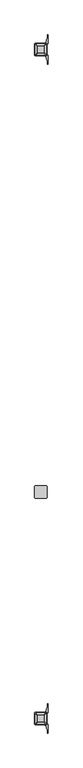
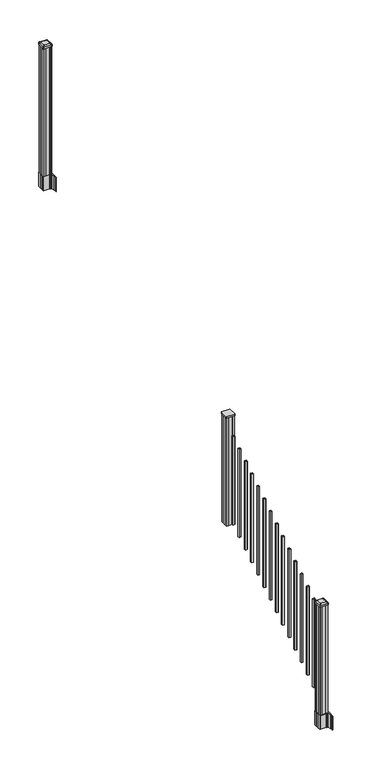
"""IFC4 building model written with IfcOpenShell, lengths in millimetres: railing geometry."""

from ifc_helpers import new_model, si_unit, point, frame, frame_2d, origin, place, context, project, spatial, polyline, circle_curve, trimmed, segment, composite_curve, outline, extrude, source, transform, mapped, element, save
from ifc_brep_helpers import plane_surface, extruded_surface, advanced_brep


def railing_2523c556(model_context):
    return source(origin(), model_context, "Body", "SolidModel", [
        extrude(outline(composite_curve([segment(polyline([(11638.3770784, -6077.7792181), (11554.2395784, -6077.7792181)]), True, "CONTINUOUS"), segment(trimmed(circle_curve(frame_2d((11554.2395784, -6074.6042181)), 3.175), [point((11554.2395784, -6077.7792181))], [point((11551.0645784, -6074.6042181))], False, "CARTESIAN"), True, "CONTINUOUS"), segment(polyline([(11551.0645784, -6074.6042181), (11551.0645784, -5990.4667181)]), True, "CONTINUOUS"), segment(trimmed(circle_curve(frame_2d((11554.2395784, -5990.4667181)), 3.175), [point((11551.0645784, -5990.4667181))], [point((11554.2395784, -5987.2917181))], False, "CARTESIAN"), True, "CONTINUOUS"), segment(polyline([(11554.2395784, -5987.2917181), (11638.3770784, -5987.2917181)]), True, "CONTINUOUS"), segment(trimmed(circle_curve(frame_2d((11638.3770784, -5990.4667181)), 3.175), [point((11638.3770784, -5987.2917181))], [point((11641.5520784, -5990.4667181))], False, "CARTESIAN"), True, "CONTINUOUS"), segment(polyline([(11641.5520784, -5990.4667181), (11641.5520784, -6074.6042181)]), True, "CONTINUOUS"), segment(trimmed(circle_curve(frame_2d((11638.3770784, -6074.6042181)), 3.175), [point((11641.5520784, -6074.6042181))], [point((11638.3770784, -6077.7792181))], False, "CARTESIAN"), True, "CONTINUOUS")], self_intersect=False)), frame((0.0, 0.0, 2397.566763), z_axis=(0.0, 0.0, 1.0), x_axis=(1.0, 0.0, 0.0)), (0.0, 0.0, 1.0), 17.272),
        extrude(outline(polyline([(11635.9958284, -6073.8104681), (11616.3743284, -6073.8104681), (11615.6123284, -6072.2229681), (11577.0043284, -6072.2229681), (11576.2423284, -6073.8104681), (11556.6208284, -6073.8104681), (11555.0333284, -6072.2229681), (11555.0333284, -6052.6014681), (11556.6208284, -6051.8394681), (11556.6208284, -6013.2314681), (11555.0333284, -6012.4694681), (11555.0333284, -5992.8479681), (11556.6208284, -5991.2604681), (11576.2423284, -5991.2604681), (11577.0043284, -5992.8479681), (11615.6123284, -5992.8479681), (11616.3743284, -5991.2604681), (11635.9958284, -5991.2604681), (11637.5833284, -5992.8479681), (11637.5833284, -6012.4694681), (11635.9958284, -6013.2314681), (11635.9958284, -6051.8394681), (11637.5833284, -6052.6014681), (11637.5833284, -6072.2229681), (11635.9958284, -6073.8104681)])), frame((0.0, 0.0, 1213.8025), z_axis=(0.0, 0.0, 1.0), x_axis=(1.0, 0.0, 0.0)), (0.0, 0.0, 1.0), 1183.764263),
        extrude(outline(polyline([(11586.7833284, -6137.5644681), (11586.7833284, -6118.5144681), (11605.8333284, -6118.5144681), (11605.8333284, -6137.5644681), (11586.7833284, -6137.5644681)]), holes=[polyline([(11587.1802034, -6137.1675931), (11605.4364534, -6137.1675931), (11605.4364534, -6118.9113431), (11587.1802034, -6118.9113431), (11587.1802034, -6137.1675931)])]), frame((0.0, 0.0, 1255.7083781), z_axis=(0.0, 0.0, 1.0), x_axis=(1.0, 0.0, 0.0)), (0.0, 0.0, 1.0), 965.2041219),
        extrude(outline(polyline([(11586.7833284, -6248.8164681), (11586.7833284, -6229.7664681), (11605.8333284, -6229.7664681), (11605.8333284, -6248.8164681), (11586.7833284, -6248.8164681)]), holes=[polyline([(11587.1802034, -6248.4195931), (11605.4364534, -6248.4195931), (11605.4364534, -6230.1633431), (11587.1802034, -6230.1633431), (11587.1802034, -6248.4195931)])]), frame((0.0, 0.0, 1186.1758781), z_axis=(0.0, 0.0, 1.0), x_axis=(1.0, 0.0, 0.0)), (0.0, 0.0, 1.0), 965.2041219),
        extrude(outline(polyline([(11586.7833284, -6360.0684681), (11586.7833284, -6341.0184681), (11605.8333284, -6341.0184681), (11605.8333284, -6360.0684681), (11586.7833284, -6360.0684681)]), holes=[polyline([(11587.1802034, -6359.6715931), (11605.4364534, -6359.6715931), (11605.4364534, -6341.4153431), (11587.1802034, -6341.4153431), (11587.1802034, -6359.6715931)])]), frame((0.0, 0.0, 1116.6433781), z_axis=(0.0, 0.0, 1.0), x_axis=(1.0, 0.0, 0.0)), (0.0, 0.0, 1.0), 965.2041219),
        extrude(outline(polyline([(11586.7833284, -6471.3204681), (11586.7833284, -6452.2704681), (11605.8333284, -6452.2704681), (11605.8333284, -6471.3204681), (11586.7833284, -6471.3204681)]), holes=[polyline([(11587.1802034, -6470.9235931), (11605.4364534, -6470.9235931), (11605.4364534, -6452.6673431), (11587.1802034, -6452.6673431), (11587.1802034, -6470.9235931)])]), frame((0.0, 0.0, 1047.1108781), z_axis=(0.0, 0.0, 1.0), x_axis=(1.0, 0.0, 0.0)), (0.0, 0.0, 1.0), 965.2041219),
        extrude(outline(polyline([(11586.7833284, -6582.5724681), (11586.7833284, -6563.5224681), (11605.8333284, -6563.5224681), (11605.8333284, -6582.5724681), (11586.7833284, -6582.5724681)]), holes=[polyline([(11587.1802034, -6582.1755931), (11605.4364534, -6582.1755931), (11605.4364534, -6563.9193431), (11587.1802034, -6563.9193431), (11587.1802034, -6582.1755931)])]), frame((0.0, 0.0, 977.5783781), z_axis=(0.0, 0.0, 1.0), x_axis=(1.0, 0.0, 0.0)), (0.0, 0.0, 1.0), 965.2041219),
        extrude(outline(polyline([(11586.7833284, -6693.8244681), (11586.7833284, -6674.7744681), (11605.8333284, -6674.7744681), (11605.8333284, -6693.8244681), (11586.7833284, -6693.8244681)]), holes=[polyline([(11587.1802034, -6693.4275931), (11605.4364534, -6693.4275931), (11605.4364534, -6675.1713431), (11587.1802034, -6675.1713431), (11587.1802034, -6693.4275931)])]), frame((0.0, 0.0, 908.0458781), z_axis=(0.0, 0.0, 1.0), x_axis=(1.0, 0.0, 0.0)), (0.0, 0.0, 1.0), 965.2041219),
        extrude(outline(polyline([(11586.7833284, -6805.0764681), (11586.7833284, -6786.0264681), (11605.8333284, -6786.0264681), (11605.8333284, -6805.0764681), (11586.7833284, -6805.0764681)]), holes=[polyline([(11587.1802034, -6804.6795931), (11605.4364534, -6804.6795931), (11605.4364534, -6786.4233431), (11587.1802034, -6786.4233431), (11587.1802034, -6804.6795931)])]), frame((0.0, 0.0, 838.5133781), z_axis=(0.0, 0.0, 1.0), x_axis=(1.0, 0.0, 0.0)), (0.0, 0.0, 1.0), 965.2041219),
        extrude(outline(polyline([(11586.7833284, -6916.3284681), (11586.7833284, -6897.2784681), (11605.8333284, -6897.2784681), (11605.8333284, -6916.3284681), (11586.7833284, -6916.3284681)]), holes=[polyline([(11587.1802034, -6915.9315931), (11605.4364534, -6915.9315931), (11605.4364534, -6897.6753431), (11587.1802034, -6897.6753431), (11587.1802034, -6915.9315931)])]), frame((0.0, 0.0, 768.9808781), z_axis=(0.0, 0.0, 1.0), x_axis=(1.0, 0.0, 0.0)), (0.0, 0.0, 1.0), 965.2041219),
        extrude(outline(polyline([(11586.7833284, -7027.5804681), (11586.7833284, -7008.5304681), (11605.8333284, -7008.5304681), (11605.8333284, -7027.5804681), (11586.7833284, -7027.5804681)]), holes=[polyline([(11587.1802034, -7027.1835931), (11605.4364534, -7027.1835931), (11605.4364534, -7008.9273431), (11587.1802034, -7008.9273431), (11587.1802034, -7027.1835931)])]), frame((0.0, 0.0, 699.4483781), z_axis=(0.0, 0.0, 1.0), x_axis=(1.0, 0.0, 0.0)), (0.0, 0.0, 1.0), 965.2041219),
        extrude(outline(polyline([(11586.7833284, -7138.8324681), (11586.7833284, -7119.7824681), (11605.8333284, -7119.7824681), (11605.8333284, -7138.8324681), (11586.7833284, -7138.8324681)]), holes=[polyline([(11587.1802034, -7138.4355931), (11605.4364534, -7138.4355931), (11605.4364534, -7120.1793431), (11587.1802034, -7120.1793431), (11587.1802034, -7138.4355931)])]), frame((0.0, 0.0, 629.9158781), z_axis=(0.0, 0.0, 1.0), x_axis=(1.0, 0.0, 0.0)), (0.0, 0.0, 1.0), 965.2041219),
        extrude(outline(polyline([(11586.7833284, -7250.0844681), (11586.7833284, -7231.0344681), (11605.8333284, -7231.0344681), (11605.8333284, -7250.0844681), (11586.7833284, -7250.0844681)]), holes=[polyline([(11587.1802034, -7249.6875931), (11605.4364534, -7249.6875931), (11605.4364534, -7231.4313431), (11587.1802034, -7231.4313431), (11587.1802034, -7249.6875931)])]), frame((0.0, 0.0, 560.3833781), z_axis=(0.0, 0.0, 1.0), x_axis=(1.0, 0.0, 0.0)), (0.0, 0.0, 1.0), 965.2041219),
        extrude(outline(polyline([(11586.7833284, -7361.3364681), (11586.7833284, -7342.2864681), (11605.8333284, -7342.2864681), (11605.8333284, -7361.3364681), (11586.7833284, -7361.3364681)]), holes=[polyline([(11587.1802034, -7360.9395931), (11605.4364534, -7360.9395931), (11605.4364534, -7342.6833431), (11587.1802034, -7342.6833431), (11587.1802034, -7360.9395931)])]), frame((0.0, 0.0, 490.8508781), z_axis=(0.0, 0.0, 1.0), x_axis=(1.0, 0.0, 0.0)), (0.0, 0.0, 1.0), 965.2041219),
        extrude(outline(polyline([(11586.7833284, -7472.5884681), (11586.7833284, -7453.5384681), (11605.8333284, -7453.5384681), (11605.8333284, -7472.5884681), (11586.7833284, -7472.5884681)]), holes=[polyline([(11587.1802034, -7472.1915931), (11605.4364534, -7472.1915931), (11605.4364534, -7453.9353431), (11587.1802034, -7453.9353431), (11587.1802034, -7472.1915931)])]), frame((0.0, 0.0, 421.3183781), z_axis=(0.0, 0.0, 1.0), x_axis=(1.0, 0.0, 0.0)), (0.0, 0.0, 1.0), 965.2041219),
        extrude(outline(polyline([(11586.7833284, -7583.8404681), (11586.7833284, -7564.7904681), (11605.8333284, -7564.7904681), (11605.8333284, -7583.8404681), (11586.7833284, -7583.8404681)]), holes=[polyline([(11587.1802034, -7583.4435931), (11605.4364534, -7583.4435931), (11605.4364534, -7565.1873431), (11587.1802034, -7565.1873431), (11587.1802034, -7583.4435931)])]), frame((0.0, 0.0, 351.7858781), z_axis=(0.0, 0.0, 1.0), x_axis=(1.0, 0.0, 0.0)), (0.0, 0.0, 1.0), 965.2041219),
        extrude(outline(polyline([(11635.9958284, -2792.8924681), (11616.3743284, -2792.8924681), (11615.6123284, -2791.3049681), (11577.0043284, -2791.3049681), (11576.2423284, -2792.8924681), (11556.6208284, -2792.8924681), (11555.0333284, -2791.3049681), (11555.0333284, -2771.6834681), (11556.6208284, -2770.9214681), (11556.6208284, -2732.3134681), (11555.0333284, -2731.5514681), (11555.0333284, -2711.9299681), (11556.6208284, -2710.3424681), (11576.2423284, -2710.3424681), (11577.0043284, -2711.9299681), (11615.6123284, -2711.9299681), (11616.3743284, -2710.3424681), (11635.9958284, -2710.3424681), (11637.5833284, -2711.9299681), (11637.5833284, -2731.5514681), (11635.9958284, -2732.3134681), (11635.9958284, -2770.9214681), (11637.5833284, -2771.6834681), (11637.5833284, -2791.3049681), (11635.9958284, -2792.8924681)])), frame((0.0, 0.0, 3048.0), z_axis=(0.0, 0.0, 1.0), x_axis=(1.0, 0.0, 0.0)), (0.0, 0.0, 1.0), 1400.140513),
        extrude(outline(composite_curve([segment(polyline([(11553.5728284, -2769.003563), (11553.5728284, -2734.2313732), (11551.9853284, -2733.4693732), (11551.9853284, -2710.6674452), (11555.3583054, -2707.2944681), (11616.8179763, -2707.2944681), (11616.8179763, -2706.3737181), (11622.1355201, -2706.3737181), (11622.1355201, -2704.9194634), (11627.2200498, -2704.9194634), (11627.2200498, -2703.6354396), (11628.8873221, -2703.6354396)]), True, "CONTINUOUS"), segment(trimmed(circle_curve(frame_2d((11628.8873221, -2696.5759797)), 7.0594599), [point((11628.8873221, -2703.6354396))], [point((11635.6545849, -2698.5859864))], True, "CARTESIAN"), True, "CONTINUOUS"), segment(polyline([(11635.6545849, -2698.5859864), (11643.5287792, -2672.0752573)]), True, "CONTINUOUS"), segment(trimmed(circle_curve(frame_2d((11588.7442659, -2655.8032076)), 57.15), [point((11643.5287792, -2672.0752573))], [point((11645.8942659, -2655.8032076))], True, "CARTESIAN"), True, "CONTINUOUS"), segment(polyline([(11645.8942659, -2655.8032076), (11645.8942659, -2643.7944681), (11648.8942659, -2643.7944681), (11648.8942659, -2708.8819681), (11640.6313284, -2720.2202594), (11640.6313284, -2733.4693732), (11639.0438284, -2734.2313732), (11639.0438284, -2769.003563), (11640.6313284, -2769.765563), (11640.6313284, -2783.0146768), (11648.8942659, -2794.3529681), (11648.8942659, -2859.4404681), (11645.8942659, -2859.4404681), (11645.8942659, -2847.4317285)]), True, "CONTINUOUS"), segment(trimmed(circle_curve(frame_2d((11588.7442659, -2847.4317285)), 57.15), [point((11645.8942659, -2847.4317285))], [point((11643.5287792, -2831.1596789))], True, "CARTESIAN"), True, "CONTINUOUS"), segment(polyline([(11643.5287792, -2831.1596789), (11635.6545849, -2804.6489498)]), True, "CONTINUOUS"), segment(trimmed(circle_curve(frame_2d((11628.8873221, -2806.6589565)), 7.0594599), [point((11635.6545849, -2804.6489498))], [point((11628.8873221, -2799.5994966))], True, "CARTESIAN"), True, "CONTINUOUS"), segment(polyline([(11628.8873221, -2799.5994966), (11627.2200498, -2799.5994966), (11627.2200498, -2798.3154728), (11622.1355201, -2798.3154728), (11622.1355201, -2796.8612181), (11616.8179763, -2796.8612181), (11616.8179763, -2795.9404681), (11555.3583054, -2795.9404681), (11551.9853284, -2792.567491), (11551.9853284, -2769.765563), (11553.5728284, -2769.003563)]), True, "CONTINUOUS")], self_intersect=False), holes=[polyline([(11637.5833284, -2711.9299681), (11635.9958284, -2710.3424681), (11599.0715458, -2710.3424681), (11556.6208284, -2710.3424681), (11555.0333284, -2711.9299681), (11555.0333284, -2791.3049681), (11556.6208284, -2792.8924681), (11599.0715458, -2792.8924681), (11635.9958284, -2792.8924681), (11637.5833284, -2791.3049681), (11637.5833284, -2711.9299681)])]), frame((0.0, 0.0, 2895.6), z_axis=(0.0, 0.0, 1.0), x_axis=(1.0, 0.0, 0.0)), (0.0, 0.0, 1.0), 152.4),
        advanced_brep(
        [(11622.1052034, -2780.5893431, 4476.715513), (11625.2802034, -2777.4143431, 4476.715513), (11625.2802034, -2725.8205931, 4476.715513), (11622.1052034, -2722.6455931, 4476.715513), (11570.5114534, -2722.6455931, 4476.715513), (11567.3364534, -2725.8205931, 4476.715513), (11567.3364534, -2777.4143431, 4476.715513), (11570.5114534, -2780.5893431, 4476.715513), (11638.3770784, -2796.8612181, 4465.412513), (11554.2395784, -2796.8612181, 4465.412513), (11551.0645784, -2793.6862181, 4465.412513), (11551.0645784, -2709.5487181, 4465.412513), (11554.2395784, -2706.3737181, 4465.412513), (11638.3770784, -2706.3737181, 4465.412513), (11641.5520784, -2709.5487181, 4465.412513), (11641.5520784, -2793.6862181, 4465.412513)],
        [
            (0, 1, circle_curve(frame((11622.1052034, -2777.4143431, 4476.715513), z_axis=(0.0, 0.0, 1.0), x_axis=(0.0, 1.0, 0.0)), 3.175)),
            (1, 2),
            (2, 3, circle_curve(frame((11622.1052034, -2725.8205931, 4476.715513), z_axis=(0.0, 0.0, 1.0), x_axis=(0.0, 1.0, 0.0)), 3.175)),
            (3, 4),
            (4, 5, circle_curve(frame((11570.5114534, -2725.8205931, 4476.715513), z_axis=(0.0, 0.0, 1.0), x_axis=(0.0, 1.0, 0.0)), 3.175)),
            (5, 6),
            (6, 7, circle_curve(frame((11570.5114534, -2777.4143431, 4476.715513), z_axis=(0.0, 0.0, 1.0), x_axis=(0.0, 1.0, 0.0)), 3.175)),
            (7, 0),
            (8, 9),
            (9, 10, circle_curve(frame((11554.2395784, -2793.6862181, 4465.412513), z_axis=(0.0, 0.0, -1.0), x_axis=(0.0, 1.0, 0.0)), 3.175)),
            (10, 11),
            (11, 12, circle_curve(frame((11554.2395784, -2709.5487181, 4465.412513), z_axis=(0.0, 0.0, -1.0), x_axis=(0.0, 1.0, 0.0)), 3.175)),
            (12, 13),
            (13, 14, circle_curve(frame((11638.3770784, -2709.5487181, 4465.412513), z_axis=(0.0, 0.0, -1.0), x_axis=(0.0, 1.0, 0.0)), 3.175)),
            (14, 15),
            (15, 8, circle_curve(frame((11638.3770784, -2793.6862181, 4465.412513), z_axis=(0.0, 0.0, -1.0), x_axis=(0.0, 1.0, 0.0)), 3.175)),
            (15, 1),
            (0, 8),
            (14, 2),
            (13, 3),
            (12, 4),
            (11, 5),
            (10, 6),
            (9, 7),
        ],
        [
            plane_surface(frame((11596.3083284, -2751.6174681, 4476.715513), z_axis=(0.0, 0.0, 1.0), x_axis=(1.0, 0.0, 0.0))),
            plane_surface(frame((11596.3083284, -2751.6174681, 4465.412513), z_axis=(0.0, 0.0, -1.0), x_axis=(1.0, 0.0, 0.0))),
            extruded_surface(trimmed(circle_curve(frame((11638.3770784, -2793.6862181, 4465.412513), z_axis=(0.0, 0.0, 1.0), x_axis=(0.0, 1.0, 0.0)), 3.175), [point((11638.3770784, -2796.8612181, 4465.412513))], [point((11641.5520784, -2793.6862181, 4465.412513))], True, "CARTESIAN"), (-16.271875000000364, 16.27187499999991, 11.302999999999884), 25.637972638866284),
            plane_surface(frame((11641.5520784, -2751.6174681, 4465.412513), z_axis=(0.5705009161540685, 0.0, 0.8212969649690474), x_axis=(0.0, 1.0, 0.0))),
            extruded_surface(trimmed(circle_curve(frame((11638.3770784, -2709.5487181, 4465.412513), z_axis=(0.0, 0.0, 1.0), x_axis=(0.0, 1.0, 0.0)), 3.175), [point((11641.5520784, -2709.5487181, 4465.412513))], [point((11638.3770784, -2706.3737181, 4465.412513))], True, "CARTESIAN"), (-16.271875000000364, -16.271875000000364, 11.302999999999884), 25.63797263886657),
            plane_surface(frame((11596.3083284, -2706.3737181, 4465.412513), z_axis=(0.0, 0.5705009161540291, 0.8212969649690747), x_axis=(-1.0, 0.0, 0.0))),
            extruded_surface(trimmed(circle_curve(frame((11554.2395784, -2709.5487181, 4465.412513), z_axis=(0.0, 0.0, 1.0), x_axis=(0.0, 1.0, 0.0)), 3.175), [point((11554.2395784, -2706.3737181, 4465.412513))], [point((11551.0645784, -2709.5487181, 4465.412513))], True, "CARTESIAN"), (16.271875000000364, -16.271875000000364, 11.302999999999884), 25.63797263886657),
            plane_surface(frame((11551.0645784, -2751.6174681, 4465.412513), z_axis=(-0.5705009161540235, 0.0, 0.8212969649690786), x_axis=(0.0, -1.0, 0.0))),
            extruded_surface(trimmed(circle_curve(frame((11554.2395784, -2793.6862181, 4465.412513), z_axis=(0.0, 0.0, 1.0), x_axis=(0.0, 1.0, 0.0)), 3.175), [point((11551.0645784, -2793.6862181, 4465.412513))], [point((11554.2395784, -2796.8612181, 4465.412513))], True, "CARTESIAN"), (16.271875000000364, 16.27187499999991, 11.302999999999884), 25.637972638866284),
            plane_surface(frame((11596.3083284, -2796.8612181, 4465.412513), z_axis=(0.0, -0.570500916154034, 0.8212969649690713), x_axis=(1.0, 0.0, 0.0))),
        ],
        [
            (0, [[1, 2, 3, 4, 5, 6, 7, 8]]),
            (1, [[9, 10, 11, 12, 13, 14, 15, 16]]),
            (2, [[-16, 17, -1, 18]]),
            (3, [[-15, 19, -2, -17]]),
            (4, [[-14, 20, -3, -19]]),
            (5, [[-13, 21, -4, -20]]),
            (6, [[-12, 22, -5, -21]]),
            (7, [[-11, 23, -6, -22]]),
            (8, [[-10, 24, -7, -23]]),
            (9, [[-9, -18, -8, -24]]),
        ],
    ),
        extrude(outline(composite_curve([segment(polyline([(11638.3770784, -2796.8612181), (11554.2395784, -2796.8612181)]), True, "CONTINUOUS"), segment(trimmed(circle_curve(frame_2d((11554.2395784, -2793.6862181)), 3.175), [point((11554.2395784, -2796.8612181))], [point((11551.0645784, -2793.6862181))], False, "CARTESIAN"), True, "CONTINUOUS"), segment(polyline([(11551.0645784, -2793.6862181), (11551.0645784, -2709.5487181)]), True, "CONTINUOUS"), segment(trimmed(circle_curve(frame_2d((11554.2395784, -2709.5487181)), 3.175), [point((11551.0645784, -2709.5487181))], [point((11554.2395784, -2706.3737181))], False, "CARTESIAN"), True, "CONTINUOUS"), segment(polyline([(11554.2395784, -2706.3737181), (11638.3770784, -2706.3737181)]), True, "CONTINUOUS"), segment(trimmed(circle_curve(frame_2d((11638.3770784, -2709.5487181)), 3.175), [point((11638.3770784, -2706.3737181))], [point((11641.5520784, -2709.5487181))], False, "CARTESIAN"), True, "CONTINUOUS"), segment(polyline([(11641.5520784, -2709.5487181), (11641.5520784, -2793.6862181)]), True, "CONTINUOUS"), segment(trimmed(circle_curve(frame_2d((11638.3770784, -2793.6862181)), 3.175), [point((11641.5520784, -2793.6862181))], [point((11638.3770784, -2796.8612181))], False, "CARTESIAN"), True, "CONTINUOUS")], self_intersect=False)), frame((0.0, 0.0, 4448.140513), z_axis=(0.0, 0.0, 1.0), x_axis=(1.0, 0.0, 0.0)), (0.0, 0.0, 1.0), 17.272),
        extrude(outline(composite_curve([segment(polyline([(11553.5728284, -7728.607563), (11553.5728284, -7693.8353732), (11551.9853284, -7693.0733732), (11551.9853284, -7670.2714452), (11555.3583054, -7666.8984681), (11616.8179763, -7666.8984681), (11616.8179763, -7665.9777181), (11622.1355201, -7665.9777181), (11622.1355201, -7664.5234634), (11627.2200498, -7664.5234634), (11627.2200498, -7663.2394396), (11628.8873221, -7663.2394396)]), True, "CONTINUOUS"), segment(trimmed(circle_curve(frame_2d((11628.8873221, -7656.1799797)), 7.0594599), [point((11628.8873221, -7663.2394396))], [point((11635.6545849, -7658.1899864))], True, "CARTESIAN"), True, "CONTINUOUS"), segment(polyline([(11635.6545849, -7658.1899864), (11643.5287792, -7631.6792573)]), True, "CONTINUOUS"), segment(trimmed(circle_curve(frame_2d((11588.7442659, -7615.4072076)), 57.15), [point((11643.5287792, -7631.6792573))], [point((11645.8942659, -7615.4072076))], True, "CARTESIAN"), True, "CONTINUOUS"), segment(polyline([(11645.8942659, -7615.4072076), (11645.8942659, -7603.3984681), (11648.8942659, -7603.3984681), (11648.8942659, -7668.4859681), (11640.6313284, -7679.8242594), (11640.6313284, -7693.0733732), (11639.0438284, -7693.8353732), (11639.0438284, -7728.607563), (11640.6313284, -7729.369563), (11640.6313284, -7742.6186768), (11648.8942659, -7753.9569681), (11648.8942659, -7819.0444681), (11645.8942659, -7819.0444681), (11645.8942659, -7807.0357285)]), True, "CONTINUOUS"), segment(trimmed(circle_curve(frame_2d((11588.7442659, -7807.0357285)), 57.15), [point((11645.8942659, -7807.0357285))], [point((11643.5287792, -7790.7636789))], True, "CARTESIAN"), True, "CONTINUOUS"), segment(polyline([(11643.5287792, -7790.7636789), (11635.6545849, -7764.2529498)]), True, "CONTINUOUS"), segment(trimmed(circle_curve(frame_2d((11628.8873221, -7766.2629565)), 7.0594599), [point((11635.6545849, -7764.2529498))], [point((11628.8873221, -7759.2034966))], True, "CARTESIAN"), True, "CONTINUOUS"), segment(polyline([(11628.8873221, -7759.2034966), (11627.2200498, -7759.2034966), (11627.2200498, -7757.9194728), (11622.1355201, -7757.9194728), (11622.1355201, -7756.4652181), (11616.8179763, -7756.4652181), (11616.8179763, -7755.5444681), (11555.3583054, -7755.5444681), (11551.9853284, -7752.171491), (11551.9853284, -7729.369563), (11553.5728284, -7728.607563)]), True, "CONTINUOUS")], self_intersect=False), holes=[polyline([(11637.5833284, -7671.5339681), (11635.9958284, -7669.9464681), (11599.0715458, -7669.9464681), (11556.6208284, -7669.9464681), (11555.0333284, -7671.5339681), (11555.0333284, -7750.9089681), (11556.6208284, -7752.4964681), (11599.0715458, -7752.4964681), (11635.9958284, -7752.4964681), (11637.5833284, -7750.9089681), (11637.5833284, -7671.5339681)])]), frame((0.0, 0.0, 12.22375), z_axis=(0.0, 0.0, 1.0), x_axis=(1.0, 0.0, 0.0)), (0.0, 0.0, 1.0), 152.4),
        advanced_brep(
        [(11622.1052034, -7740.1933431, 1376.963013), (11625.2802034, -7737.0183431, 1376.963013), (11625.2802034, -7685.4245931, 1376.963013), (11622.1052034, -7682.2495931, 1376.963013), (11570.5114534, -7682.2495931, 1376.963013), (11567.3364534, -7685.4245931, 1376.963013), (11567.3364534, -7737.0183431, 1376.963013), (11570.5114534, -7740.1933431, 1376.963013), (11638.3770784, -7756.4652181, 1365.660013), (11554.2395784, -7756.4652181, 1365.660013), (11551.0645784, -7753.2902181, 1365.660013), (11551.0645784, -7669.1527181, 1365.660013), (11554.2395784, -7665.9777181, 1365.660013), (11638.3770784, -7665.9777181, 1365.660013), (11641.5520784, -7669.1527181, 1365.660013), (11641.5520784, -7753.2902181, 1365.660013)],
        [
            (0, 1, circle_curve(frame((11622.1052034, -7737.0183431, 1376.963013), z_axis=(0.0, 0.0, 1.0), x_axis=(0.0, 1.0, 0.0)), 3.175)),
            (1, 2),
            (2, 3, circle_curve(frame((11622.1052034, -7685.4245931, 1376.963013), z_axis=(0.0, 0.0, 1.0), x_axis=(0.0, 1.0, 0.0)), 3.175)),
            (3, 4),
            (4, 5, circle_curve(frame((11570.5114534, -7685.4245931, 1376.963013), z_axis=(0.0, 0.0, 1.0), x_axis=(0.0, 1.0, 0.0)), 3.175)),
            (5, 6),
            (6, 7, circle_curve(frame((11570.5114534, -7737.0183431, 1376.963013), z_axis=(0.0, 0.0, 1.0), x_axis=(0.0, 1.0, 0.0)), 3.175)),
            (7, 0),
            (8, 9),
            (9, 10, circle_curve(frame((11554.2395784, -7753.2902181, 1365.660013), z_axis=(0.0, 0.0, -1.0), x_axis=(0.0, 1.0, 0.0)), 3.175)),
            (10, 11),
            (11, 12, circle_curve(frame((11554.2395784, -7669.1527181, 1365.660013), z_axis=(0.0, 0.0, -1.0), x_axis=(0.0, 1.0, 0.0)), 3.175)),
            (12, 13),
            (13, 14, circle_curve(frame((11638.3770784, -7669.1527181, 1365.660013), z_axis=(0.0, 0.0, -1.0), x_axis=(0.0, 1.0, 0.0)), 3.175)),
            (14, 15),
            (15, 8, circle_curve(frame((11638.3770784, -7753.2902181, 1365.660013), z_axis=(0.0, 0.0, -1.0), x_axis=(0.0, 1.0, 0.0)), 3.175)),
            (15, 1),
            (0, 8),
            (14, 2),
            (13, 3),
            (12, 4),
            (11, 5),
            (10, 6),
            (9, 7),
        ],
        [
            plane_surface(frame((11596.3083284, -7711.2214681, 1376.963013), z_axis=(0.0, 0.0, 1.0), x_axis=(1.0, 0.0, 0.0))),
            plane_surface(frame((11596.3083284, -7711.2214681, 1365.660013), z_axis=(0.0, 0.0, -1.0), x_axis=(1.0, 0.0, 0.0))),
            extruded_surface(trimmed(circle_curve(frame((11638.3770784, -7753.2902181, 1365.660013), z_axis=(0.0, 0.0, 1.0), x_axis=(0.0, 1.0, 0.0)), 3.175), [point((11638.3770784, -7756.4652181, 1365.660013))], [point((11641.5520784, -7753.2902181, 1365.660013))], True, "CARTESIAN"), (-16.271875000000364, 16.271875000000364, 11.303000000000111), 25.63797263886667),
            plane_surface(frame((11641.5520784, -7711.2214681, 1365.660013), z_axis=(0.5705009161540778, 0.0, 0.8212969649690408), x_axis=(0.0, 1.0, 0.0))),
            extruded_surface(trimmed(circle_curve(frame((11638.3770784, -7669.1527181, 1365.660013), z_axis=(0.0, 0.0, 1.0), x_axis=(0.0, 1.0, 0.0)), 3.175), [point((11641.5520784, -7669.1527181, 1365.660013))], [point((11638.3770784, -7665.9777181, 1365.660013))], True, "CARTESIAN"), (-16.271875000000364, -16.271874999999454, 11.303000000000111), 25.637972638866096),
            plane_surface(frame((11596.3083284, -7665.9777181, 1365.660013), z_axis=(0.0, 0.5705009161540291, 0.8212969649690747), x_axis=(-1.0, 0.0, 0.0))),
            extruded_surface(trimmed(circle_curve(frame((11554.2395784, -7669.1527181, 1365.660013), z_axis=(0.0, 0.0, 1.0), x_axis=(0.0, 1.0, 0.0)), 3.175), [point((11554.2395784, -7665.9777181, 1365.660013))], [point((11551.0645784, -7669.1527181, 1365.660013))], True, "CARTESIAN"), (16.271875000000364, -16.271874999999454, 11.303000000000111), 25.637972638866096),
            plane_surface(frame((11551.0645784, -7711.2214681, 1365.660013), z_axis=(-0.5705009161540142, 0.0, 0.8212969649690851), x_axis=(0.0, -1.0, 0.0))),
            extruded_surface(trimmed(circle_curve(frame((11554.2395784, -7753.2902181, 1365.660013), z_axis=(0.0, 0.0, 1.0), x_axis=(0.0, 1.0, 0.0)), 3.175), [point((11551.0645784, -7753.2902181, 1365.660013))], [point((11554.2395784, -7756.4652181, 1365.660013))], True, "CARTESIAN"), (16.271875000000364, 16.271875000000364, 11.303000000000111), 25.63797263886667),
            plane_surface(frame((11596.3083284, -7756.4652181, 1365.660013), z_axis=(0.0, -0.570500916154034, 0.8212969649690713), x_axis=(1.0, 0.0, 0.0))),
        ],
        [
            (0, [[1, 2, 3, 4, 5, 6, 7, 8]]),
            (1, [[9, 10, 11, 12, 13, 14, 15, 16]]),
            (2, [[-16, 17, -1, 18]]),
            (3, [[-15, 19, -2, -17]]),
            (4, [[-14, 20, -3, -19]]),
            (5, [[-13, 21, -4, -20]]),
            (6, [[-12, 22, -5, -21]]),
            (7, [[-11, 23, -6, -22]]),
            (8, [[-10, 24, -7, -23]]),
            (9, [[-9, -18, -8, -24]]),
        ],
    ),
        extrude(outline(composite_curve([segment(polyline([(11638.3770784, -7756.4652181), (11554.2395784, -7756.4652181)]), True, "CONTINUOUS"), segment(trimmed(circle_curve(frame_2d((11554.2395784, -7753.2902181)), 3.175), [point((11554.2395784, -7756.4652181))], [point((11551.0645784, -7753.2902181))], False, "CARTESIAN"), True, "CONTINUOUS"), segment(polyline([(11551.0645784, -7753.2902181), (11551.0645784, -7669.1527181)]), True, "CONTINUOUS"), segment(trimmed(circle_curve(frame_2d((11554.2395784, -7669.1527181)), 3.175), [point((11551.0645784, -7669.1527181))], [point((11554.2395784, -7665.9777181))], False, "CARTESIAN"), True, "CONTINUOUS"), segment(polyline([(11554.2395784, -7665.9777181), (11638.3770784, -7665.9777181)]), True, "CONTINUOUS"), segment(trimmed(circle_curve(frame_2d((11638.3770784, -7669.1527181)), 3.175), [point((11638.3770784, -7665.9777181))], [point((11641.5520784, -7669.1527181))], False, "CARTESIAN"), True, "CONTINUOUS"), segment(polyline([(11641.5520784, -7669.1527181), (11641.5520784, -7753.2902181)]), True, "CONTINUOUS"), segment(trimmed(circle_curve(frame_2d((11638.3770784, -7753.2902181)), 3.175), [point((11641.5520784, -7753.2902181))], [point((11638.3770784, -7756.4652181))], False, "CARTESIAN"), True, "CONTINUOUS")], self_intersect=False)), frame((0.0, 0.0, 1348.388013), z_axis=(0.0, 0.0, 1.0), x_axis=(1.0, 0.0, 0.0)), (0.0, 0.0, 1.0), 17.272),
        extrude(outline(polyline([(11635.9958284, -7752.4964681), (11616.3743284, -7752.4964681), (11615.6123284, -7750.9089681), (11577.0043284, -7750.9089681), (11576.2423284, -7752.4964681), (11556.6208284, -7752.4964681), (11555.0333284, -7750.9089681), (11555.0333284, -7731.2874681), (11556.6208284, -7730.5254681), (11556.6208284, -7691.9174681), (11555.0333284, -7691.1554681), (11555.0333284, -7671.5339681), (11556.6208284, -7669.9464681), (11576.2423284, -7669.9464681), (11577.0043284, -7671.5339681), (11615.6123284, -7671.5339681), (11616.3743284, -7669.9464681), (11635.9958284, -7669.9464681), (11637.5833284, -7671.5339681), (11637.5833284, -7691.1554681), (11635.9958284, -7691.9174681), (11635.9958284, -7730.5254681), (11637.5833284, -7731.2874681), (11637.5833284, -7750.9089681), (11635.9958284, -7752.4964681)])), frame((0.0, 0.0, 164.62375), z_axis=(0.0, 0.0, 1.0), x_axis=(1.0, 0.0, 0.0)), (0.0, 0.0, 1.0), 1183.764263),
    ])


if __name__ == "__main__":
    model = new_model("IFC4")
    model_context = context("Model", 3, world=origin())
    ifc_project = project(units=[si_unit("LENGTHUNIT", "METRE", prefix="MILLI")], contexts=[model_context])
    site = spatial("IfcSite", under=ifc_project)
    building = spatial("IfcBuilding", under=site)
    placement = place(None, origin())
    railing_shape = railing_2523c556(model_context)
    element("IfcRailing", 1, at=placement, inside=building, context=model_context, shape_type="MappedRepresentation", body=[
        mapped(railing_shape, transform((0.0, 0.0, 0.0), x_axis=(1.0, 0.0, 0.0), y_axis=(0.0, 1.0, 0.0), z_axis=(0.0, 0.0, 1.0))),
    ])
    save(model, "model.ifc")
